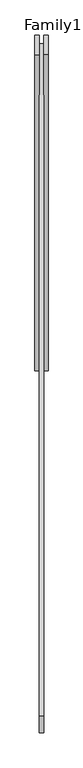
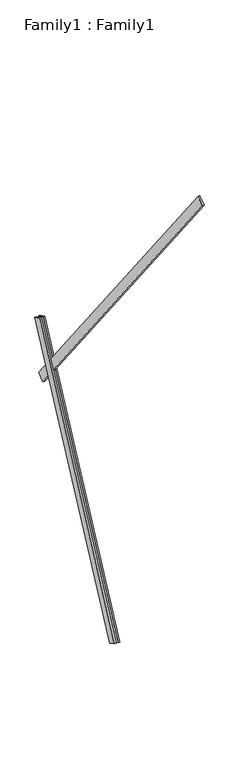
"""IFC4 building model written with IfcOpenShell, lengths in millimetres: proxy geometry, Family1 : Family1."""

from ifc_helpers import new_model, si_unit, frame, origin, place, context, project, spatial, polyline, outline, extrude, source, transform, mapped, element, save


def family1_family1_23fd6cd1(model_context):
    return source(origin(), model_context, "Body", "SweptSolid", [
        extrude(outline(polyline([(0.0, 0.0), (0.0, -20.0), (-100.0000001, -20.0), (-100.0000001, 0.0), (0.0, 0.0)])), frame((-30.0, 46.3241747, -22.5938096), z_axis=(0.0, 0.4383711467890692, 0.8987940462991711), x_axis=(0.0, 0.8987940462991711, -0.4383711467890692)), (0.0, 0.0, 1.0), 3300.0),
        extrude(outline(polyline([(0.0, 0.0), (0.0, -20.0), (-99.9999999, -20.0), (-99.9999999, 0.0), (0.0, 0.0)])), frame((10.0, 45.270232, -22.0797674), z_axis=(0.0, 0.4383711467890692, 0.8987940462991711), x_axis=(0.0, 0.8987940462991711, -0.4383711467890692)), (0.0, 0.0, 1.0), 3300.0),
        extrude(outline(polyline([(0.0, 0.0), (0.0, -99.9999999), (-20.0, -99.9999999), (-20.0, 0.0), (0.0, 0.0)])), frame((10.0, 1452.6079312, 2309.6339726), z_axis=(0.0, -0.6156614753256572, 0.7880107536067229), x_axis=(1.0, 0.0, 0.0)), (0.0, 0.0, 1.0), 5000.0),
    ])


if __name__ == "__main__":
    model = new_model("IFC4")
    model_context = context("Model", 3, world=origin())
    ifc_project = project(units=[si_unit("LENGTHUNIT", "METRE", prefix="MILLI")], contexts=[model_context])
    site = spatial("IfcSite", under=ifc_project)
    building = spatial("IfcBuilding", under=site)
    placement = place(None, origin())
    family1_family1_shape = family1_family1_23fd6cd1(model_context)
    element("IfcBuildingElementProxy", 1, Name="Family1 : Family1", ObjectType="Family1 : Family1", at=placement, inside=building, context=model_context, shape_type="MappedRepresentation", body=[
        mapped(family1_family1_shape, transform((0.0, 0.0, 0.0), x_axis=(1.0, 0.0, 0.0), y_axis=(0.0, 1.0, 0.0), z_axis=(0.0, 0.0, 1.0))),
    ])
    save(model, "model.ifc")
